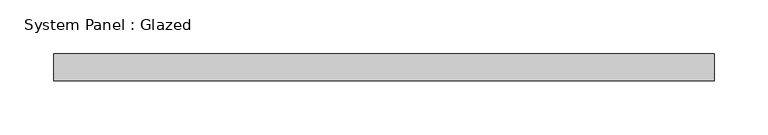
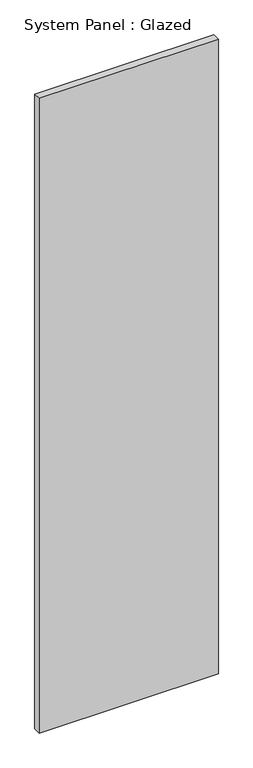
"""IFC4 building model written with IfcOpenShell, lengths in millimetres: plate geometry, System Panel : Glazed."""

from ifc_helpers import new_model, si_unit, origin, origin_with_axes, place, context, project, spatial, polyline, outline, extrude, source, transform, mapped, element, save


def system_panel_glazed_21f0716e(model_context):
    return source(origin(), model_context, "Body", "SweptSolid", [
        extrude(outline(polyline([(307.5, -49.5), (-307.5, -49.5), (-307.5, -24.5), (307.5, -24.5), (307.5, -49.5)])), origin_with_axes(), (0.0, 0.0, 1.0), 2300.0),
    ])


if __name__ == "__main__":
    model = new_model("IFC4")
    model_context = context("Model", 3, world=origin())
    ifc_project = project(units=[si_unit("LENGTHUNIT", "METRE", prefix="MILLI")], contexts=[model_context])
    site = spatial("IfcSite", under=ifc_project)
    building = spatial("IfcBuilding", under=site)
    placement = place(None, origin())
    system_panel_glazed_shape = system_panel_glazed_21f0716e(model_context)
    element("IfcPlate", 1, ObjectType="System Panel : Glazed", at=placement, inside=building, context=model_context, shape_type="MappedRepresentation", body=[
        mapped(system_panel_glazed_shape, transform((0.0, 0.0, 0.0), x_axis=(1.0, 0.0, 0.0), y_axis=(0.0, 1.0, 0.0), z_axis=(0.0, 0.0, 1.0))),
    ])
    save(model, "model.ifc")
